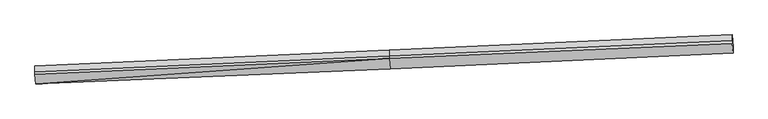
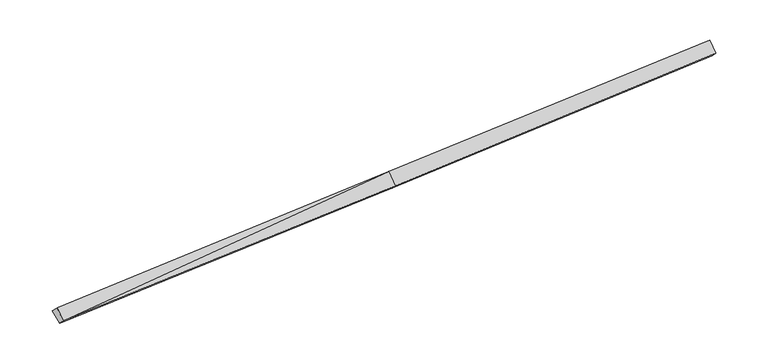
"""IFC4 building model written with IfcOpenShell, lengths in millimetres: proxy geometry."""

from ifc_helpers import new_model, si_unit, frame, origin, place, context, project, spatial, source, transform, mapped, element, save
from ifc_brep_helpers import plane_surface, spline_surface, advanced_brep


def generic_models_78818aad(model_context):
    return source(origin(), model_context, "Body", "AdvancedBrep", [
        advanced_brep(
        [(-18126.2599427, -2798.0404724, 1090.6938423), (-18125.648824, -2504.9731177, 791.7346104), (-857.5104229, -1781.6022233, 1553.8407305), (-858.0957997, -2062.3248489, 1840.2070526), (-18166.9579269, -2341.8943915, 1537.7670208), (-902.6092199, -1563.4150728, 2329.1933416), (-18166.6732763, -2205.3877208, 1398.5159963), (-902.3245693, -1426.9084022, 2189.942317), (-18166.0722285, -1917.1499249, 1104.4834175), (-901.7235215, -1138.6706062, 1895.9097383), (15808.2840837, -686.8670547, 2956.5597584), (15807.9994331, -823.3737254, 3095.8107829), (15848.6974173, -1279.5198063, 2648.7376044), (15849.308536, -986.4524515, 2349.7783725), (15808.7079303, -396.0524599, 2663.8981544)],
        [
            (0, 1),
            (1, 2),
            (2, 3),
            (3, 0),
            (4, 0),
            (0, 5),
            (5, 4),
            (6, 4),
            (5, 7),
            (7, 6),
            (8, 6),
            (7, 9),
            (9, 8),
            (1, 8),
            (9, 2),
            (10, 11),
            (11, 12),
            (12, 13),
            (13, 14),
            (14, 10),
            (3, 5),
            (5, 11),
            (10, 7),
            (3, 12),
            (2, 13),
            (9, 14),
        ],
        [
            plane_surface(frame((-18125.9543834, -2651.506795, 941.2142264), z_axis=(0.06069715335639195, -0.7128539476465455, -0.6986809750516807), x_axis=(0.0014597463111227927, 0.7000342086204183, -0.7141078181212498))),
            plane_surface(frame((-18146.6089348, -2569.967432, 1314.2304316), z_axis=(-0.0011713141806865487, -0.7000213496621972, 0.7141209547690125), x_axis=(0.06359060020567513, -0.7127282514496385, -0.6985518414198211))),
            plane_surface(frame((-18166.8156016, -2273.6410562, 1468.1415085), z_axis=(-0.06415858300921778, 0.7127028711636425, 0.6985258002832463), x_axis=(-0.0014597463111225395, -0.7000342086204204, 0.7141078181212477))),
            plane_surface(frame((-18166.3727524, -2061.2688228, 1251.4997069), z_axis=(-0.06415858300921777, 0.712702871163643, 0.698525800283246), x_axis=(-0.001459746311123089, -0.70003420862042, 0.714107818121248))),
            plane_surface(frame((-18145.8605263, -2211.0615213, 948.109014), z_axis=(0.019215285391398256, 0.47064581536497635, -0.8821129685515138), x_axis=(-0.060598472580510834, 0.8812020691061953, 0.4688397791611432))),
            plane_surface(frame((15824.5994801, -834.4530995, 2742.9569345), z_axis=(0.9979750020447351, 0.04439083629225083, 0.045555997926567636), x_axis=(-0.0014597463111280953, -0.7000342086204203, 0.7141078181212477))),
            plane_surface(frame((-18146.2347305, -2390.5144766, 1131.1697228), z_axis=(-0.9979750020447351, -0.04439083629225476, -0.045555997926563785), x_axis=(-0.0014597463111227723, -0.7000342086204182, 0.7141078181212498))),
            plane_surface(frame((-18126.2599427, -2798.0404724, 1090.6938423), z_axis=(-0.0011713141806866147, -0.7000213496621966, 0.7141209547690132), x_axis=(0.0635906002056735, -0.7127282514496391, -0.6985518414198207))),
            plane_surface(frame((-902.4668946, -1495.1617375, 2259.5678293), z_axis=(-0.06361043309962261, 0.7127273691231633, 0.6985509359407177), x_axis=(-0.0014597463111280953, -0.7000342086204203, 0.7141078181212477))),
            plane_surface(frame((-880.3525098, -1812.8699608, 2084.7001971), z_axis=(-0.0017577462724926891, -0.7000474327235922, 0.7140941830495119), x_axis=(0.06359060020567503, -0.71272825144964, -0.6985518414198196))),
            plane_surface(frame((-857.8031113, -1921.9635361, 1697.0238915), z_axis=(0.0671859974678336, -0.7125636800788235, -0.6983831638697889), x_axis=(0.0014597463111227765, 0.7000342086204189, -0.7141078181212492))),
            plane_surface(frame((-879.6169722, -1460.1364148, 1724.8752344), z_axis=(0.019623348610805055, 0.47066394955223034, -0.8820943094597054), x_axis=(-0.060598472580518474, 0.8812020691061947, 0.46883977916114306))),
            spline_surface(1, 1, [[(-901.7235215, -1138.6706062, 1895.9097383), (15808.7079303, -396.0524599, 2663.8981544)], [(-902.3245693, -1426.9084022, 2189.942317), (15808.2840837, -686.8670547, 2956.5597584)]], [2, 2], [2, 2], [0.0, 1.0], [0.0, 1.0]),
        ],
        [
            (0, [[1, 2, 3, 4]]),
            (1, [[5, 6, 7]]),
            (2, [[8, -7, 9, 10]]),
            (3, [[11, -10, 12, 13]]),
            (4, [[14, -13, 15, -2]]),
            (5, [[16, 17, 18, 19, 20]]),
            (6, [[-1, -5, -8, -11, -14]]),
            (7, [[21, -6, -4]]),
            (8, [[-9, 22, -16, 23]]),
            (9, [[-21, 24, -17, -22]]),
            (10, [[-3, 25, -18, -24]]),
            (11, [[-15, 26, -19, -25]]),
            (12, [[-12, -23, -20, -26]]),
        ],
    ),
    ])


if __name__ == "__main__":
    model = new_model("IFC4")
    model_context = context("Model", 3, world=origin())
    ifc_project = project(units=[si_unit("LENGTHUNIT", "METRE", prefix="MILLI")], contexts=[model_context])
    site = spatial("IfcSite", under=ifc_project)
    building = spatial("IfcBuilding", under=site)
    placement = place(None, origin())
    generic_models_shape = generic_models_78818aad(model_context)
    element("IfcBuildingElementProxy", 1, Name="Generic Models", at=placement, inside=building, context=model_context, shape_type="MappedRepresentation", body=[
        mapped(generic_models_shape, transform((0.0, 0.0, 0.0), x_axis=(1.0, 0.0, 0.0), y_axis=(0.0, 1.0, 0.0), z_axis=(0.0, 0.0, 1.0))),
    ])
    save(model, "model.ifc")
